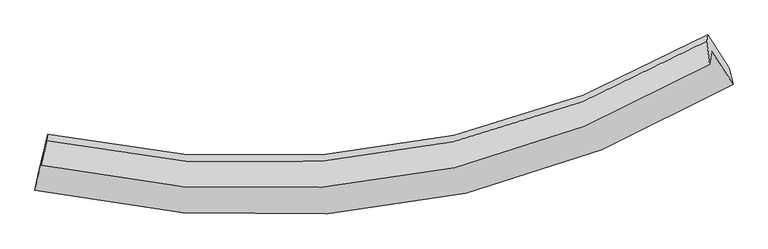
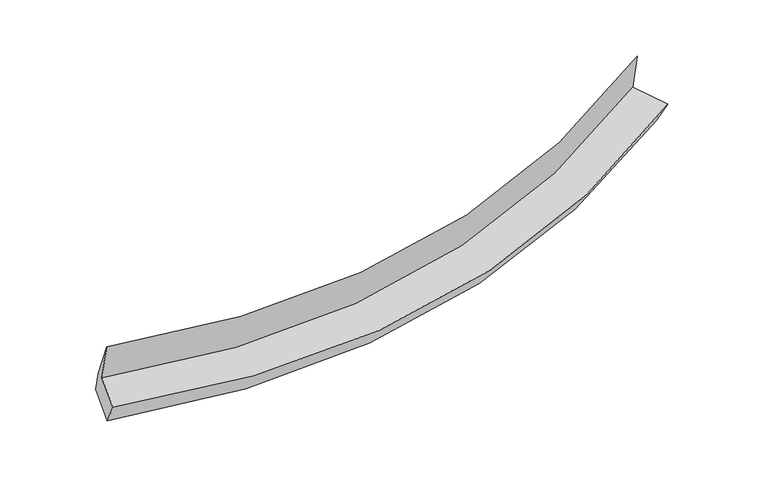
"""IFC4 building model written with IfcOpenShell, lengths in millimetres: proxy geometry."""

from ifc_helpers import new_model, si_unit, frame, origin, place, context, project, spatial, source, transform, mapped, element, save
from ifc_brep_helpers import plane_surface, spline_curve, spline_surface, advanced_brep


def generic_models_b6ffce31(model_context):
    return source(origin(), model_context, "Body", "AdvancedBrep", [
        advanced_brep(
        [(-6007.8515845, -2089.7271477, 1626.1671114), (-6157.7269657, -2714.8897153, 1466.6625857), (5428.7465242, -957.007686, 2456.0666178), (5073.2257518, -410.4398825, 2593.6671043), (-6040.4230402, -2305.6559543, 2399.710194), (5041.0007231, -624.0720911, 3358.9828571), (-5964.0440961, -1898.5059601, 1587.0820605), (4990.8216137, -244.3610158, 2512.871912), (-5947.6533234, -1789.8451739, 1197.8157979), (5006.7040015, -139.0705098, 2135.6793368), (-6104.2314884, -2440.8197507, 1009.5080675), (5367.1772764, -693.2521536, 1996.1620376)],
        [
            (0, 1),
            (1, 2, spline_curve(3, [(-6157.7269657, -2714.8897153, 1466.6625857), (-3654.580199927, -3274.352498566, 1416.8465103), (-1270.118437723, -3291.460851185, 1514.143413572), (2527.610952631, -2411.081767717, 1923.805391514), (4005.307020436, -1808.012738652, 2156.309832588), (5428.7465242, -957.007686, 2456.0666178)], [4, 2, 4], [0.0, 22.98510885608281, 38.525959415413965])),
            (2, 3),
            (3, 0, spline_curve(3, [(5073.2257518, -410.4398825, 2593.6671043), (3709.58838898, -1218.833020621, 2310.261086254), (2294.983883627, -1792.216207798, 2088.699813658), (-1338.186234791, -2631.047618855, 1692.760582124), (-3617.274174822, -2617.42685271, 1591.8218569), (-6007.8515845, -2089.7271477, 1626.1671114)], [4, 2, 4], [0.0, 15.540850559331155, 38.525959415413965])),
            (4, 0),
            (3, 5),
            (5, 4, spline_curve(3, [(5041.0007231, -624.0720911, 3358.9828571), (3677.642261687, -1430.616284923, 3068.95318371), (2263.185361919, -2003.020935279, 2843.886400796), (-1369.944321804, -2841.584290041, 2446.986886575), (-3649.295342991, -2829.70759399, 2352.296114952), (-6040.4230402, -2305.6559543, 2399.710194)], [4, 2, 4], [0.0, 15.191862995320381, 37.6608149578289])),
            (6, 4),
            (5, 7),
            (7, 6, spline_curve(3, [(4990.8216137, -244.3610158, 2512.871912), (3637.460182683, -1025.387998211, 2231.426213294), (2235.832182511, -1581.080442063, 2013.296861107), (-1358.47426373, -2400.041747227, 1629.513517494), (-3608.468167052, -2395.730951004, 1539.046252614), (-5964.0440961, -1898.5059601, 1587.0820605)], [4, 2, 4], [0.0, 15.09529131839826, 37.42141258460768])),
            (8, 6),
            (7, 9),
            (9, 8, spline_curve(3, [(5006.7040015, -139.0705098, 2135.6793368), (3653.182138984, -921.161056669, 1858.04374981), (2251.485997931, -1477.305232978, 1641.532682491), (-1342.76058046, -2295.869647495, 1256.327521502), (-3592.516880626, -2289.983692916, 1160.217409569), (-5947.6533234, -1789.8451739, 1197.8157979)], [4, 2, 4], [0.0, 14.998819101888888, 37.182256774971286])),
            (10, 8),
            (9, 11),
            (11, 10, spline_curve(3, [(5367.1772764, -693.2521536, 1996.1620376), (3954.329328053, -1520.394402832, 1703.452568595), (2489.193460925, -2108.667103675, 1475.30181555), (-1272.51874173, -2974.841809795, 1069.755147145), (-3631.185796639, -2969.091641449, 969.021243466), (-6104.2314884, -2440.8197507, 1009.5080675)], [4, 2, 4], [0.0, 15.357978651749818, 38.07261771041522])),
            (1, 10),
            (11, 2),
        ],
        [
            spline_surface(3, 3, [[(-6007.8515845, -2089.7271477, 1626.1671114), (-3617.27417447, -2617.426852838, 1591.821857092), (-1338.186234727, -2631.047618592, 1692.760582251), (2294.983883584, -1792.216207976, 2088.699813572), (3709.588389226, -1218.833020503, 2310.261086055), (5073.2257518, -410.4398825, 2593.6671043)], [(-6057.810044889, -2298.11467023, 1572.998936156), (-3629.709516234, -2836.402068059, 1533.496741556), (-1315.496969011, -2851.185362805, 1633.221525986), (2372.526239929, -1998.504727836, 2033.735006245), (3808.161266266, -1415.226259804, 2258.9440016), (5191.732675934, -592.62915033, 2547.800275481)], [(-6107.768505311, -2506.50219277, 1519.830760944), (-3642.14485803, -3055.377283289, 1475.171626052), (-1292.807703346, -3071.323107094, 1573.682469722), (2450.068596224, -2204.793247773, 1978.770198919), (3906.734143304, -1611.619499115, 2207.626917102), (5310.239600066, -774.81841817, 2501.933446619)], [(-6157.7269657, -2714.8897153, 1466.6625857), (-3654.580199795, -3274.35249851, 1416.846510517), (-1270.11843763, -3291.460851307, 1514.143413457), (2527.610952569, -2411.081767634, 1923.805391593), (4005.307020343, -1808.012738416, 2156.309832647), (5428.7465242, -957.007686, 2456.0666178)]], [4, 4], [4, 2, 4], [0.0, 2.226651729045045], [0.0, 22.98510885608281, 38.525959415413965]),
            spline_surface(3, 3, [[(-6040.4230402, -2305.6559543, 2399.710194), (-3649.295343235, -2829.707594016, 2352.296114755), (-1369.94432186, -2841.584289992, 2446.986886369), (2263.185361957, -2003.020935312, 2843.886400935), (3677.642261724, -1430.616284939, 3068.953183632), (5041.0007231, -624.0720911, 3358.9828571)], [(-6029.565888313, -2233.679685436, 2141.862499814), (-3638.621620327, -2758.947346959, 2098.804695549), (-1359.358292813, -2771.405399538, 2195.578118321), (2273.784869168, -1932.75269288, 2592.157538472), (3688.290970923, -1360.021863457, 2816.055817754), (5051.742399365, -552.861354897, 3103.877606148)], [(-6018.708736387, -2161.703416564, 1884.014805586), (-3627.947897379, -2688.187099895, 1845.313276298), (-1348.772263773, -2701.226509045, 1944.169350299), (2284.384376373, -1862.484450408, 2340.428676035), (3698.939680027, -1289.427441985, 2563.158451933), (5062.484075535, -481.650618703, 2848.772355252)], [(-6007.8515845, -2089.7271477, 1626.1671114), (-3617.27417447, -2617.426852838, 1591.821857092), (-1338.186234727, -2631.047618592, 1692.760582251), (2294.983883584, -1792.216207976, 2088.699813572), (3709.588389226, -1218.833020503, 2310.261086055), (5073.2257518, -410.4398825, 2593.6671043)]], [4, 4], [4, 2, 4], [0.0, 2.574040140655187], [0.0, 22.468951962508516, 37.6608149578289]),
            spline_surface(3, 3, [[(-5964.0440961, -1898.5059601, 1587.0820605), (-3608.468166708, -2395.730951154, 1539.046252943), (-1358.474263743, -2400.041746963, 1629.513517738), (2235.83218252, -1581.080442242, 2013.296860942), (3637.460182829, -1025.387998326, 2231.426213306), (4990.8216137, -244.3610158, 2512.871912)], [(-5989.503744127, -2034.222624831, 1857.958104995), (-3622.077225544, -2540.389832106, 1810.129540209), (-1362.29761648, -2547.222594637, 1902.004640617), (2244.949908967, -1721.727273263, 2290.160040942), (3650.854209117, -1160.464093857, 2510.6018701), (5007.547983489, -370.931374226, 2794.908893719)], [(-6014.963392173, -2169.939289569, 2128.834149505), (-3635.6862844, -2685.048713064, 2081.21282749), (-1366.120969123, -2694.403442318, 2174.49576349), (2254.067635509, -1862.374104291, 2567.023220935), (3664.248235437, -1295.540189409, 2789.777526837), (5024.274353311, -497.501732674, 3076.945875381)], [(-6040.4230402, -2305.6559543, 2399.710194), (-3649.295343235, -2829.707594016, 2352.296114755), (-1369.94432186, -2841.584289992, 2446.986886369), (2263.185361957, -2003.020935312, 2843.886400935), (3677.642261724, -1430.616284939, 3068.953183632), (5041.0007231, -624.0720911, 3358.9828571)]], [4, 4], [4, 2, 4], [0.0, 3.0490480223489733], [0.0, 22.32612126620942, 37.42141258460768]),
            spline_surface(3, 3, [[(-5947.6533234, -1789.8451739, 1197.8157979), (-3592.516880752, -2289.983692957, 1160.217409361), (-1342.760580233, -2295.869647702, 1256.327521543), (2251.485997777, -1477.305232838, 1641.532682464), (3653.182138858, -921.161056733, 1858.043749886), (5006.7040015, -139.0705098, 2135.6793368)], [(-5953.116914288, -1826.065435974, 1327.571218763), (-3597.833976059, -2325.23277903, 1286.493690551), (-1347.998474714, -2330.593680798, 1380.722853614), (2246.26805938, -1511.896969315, 1765.454075296), (3647.94148684, -955.903370612, 1982.504571012), (5001.409872225, -174.167345148, 2261.410195186)], [(-5958.580505212, -1862.285698026, 1457.326639637), (-3603.151071401, -2360.481865081, 1412.769971753), (-1353.236369262, -2365.317713867, 1505.118185666), (2241.050120917, -1546.488705764, 1889.375468109), (3642.700834847, -990.645684447, 2106.96539218), (4996.115742975, -209.264180452, 2387.141053614)], [(-5964.0440961, -1898.5059601, 1587.0820605), (-3608.468166708, -2395.730951154, 1539.046252943), (-1358.474263743, -2400.041746963, 1629.513517738), (2235.83218252, -1581.080442242, 2013.296860942), (3637.460182829, -1025.387998326, 2231.426213306), (4990.8216137, -244.3610158, 2512.871912)]], [4, 4], [4, 2, 4], [0.0, 1.272014269013754], [0.0, 22.1834376730824, 37.182256774971286]),
            spline_surface(3, 3, [[(-6104.2314884, -2440.8197507, 1009.5080675), (-3631.185796535, -2969.091641431, 969.021243218), (-1272.518742032, -2974.84180987, 1069.755147005), (2489.193461129, -2108.667103624, 1475.301815644), (3954.329328228, -1520.394402773, 1703.452568537), (5367.1772764, -693.2521536, 1996.1620376)], [(-6052.038766746, -2223.828225111, 1072.277310966), (-3618.296157953, -2742.722325284, 1032.753298598), (-1295.932688104, -2748.517755822, 1131.945938537), (2409.957640007, -1898.213146703, 1530.712104603), (3853.946931776, -1320.649954078, 1754.982962324), (5247.019518105, -508.524938984, 2042.667804004)], [(-5999.846045054, -2006.836699489, 1135.046554434), (-3605.406519334, -2516.353009104, 1096.485353981), (-1319.346634161, -2522.193701751, 1194.136730011), (2330.721818899, -1687.759189759, 1586.122393505), (3753.56453531, -1120.905505429, 1806.513356099), (5126.861759795, -323.797724416, 2089.173570396)], [(-5947.6533234, -1789.8451739, 1197.8157979), (-3592.516880752, -2289.983692957, 1160.217409361), (-1342.760580233, -2295.869647702, 1256.327521543), (2251.485997777, -1477.305232838, 1641.532682464), (3653.182138858, -921.161056733, 1858.043749886), (5006.7040015, -139.0705098, 2135.6793368)]], [4, 4], [4, 2, 4], [0.0, 2.2856849047944783], [0.0, 22.714639058665405, 38.07261771041522]),
            spline_surface(3, 3, [[(-6157.7269657, -2714.8897153, 1466.6625857), (-3654.580199795, -3274.35249851, 1416.846510517), (-1270.11843763, -3291.460851307, 1514.143413457), (2527.610952569, -2411.081767634, 1923.805391593), (4005.307020343, -1808.012738416, 2156.309832647), (5428.7465242, -957.007686, 2456.0666178)], [(-6139.895139937, -2623.533060418, 1314.277746305), (-3646.782065378, -3172.598879468, 1267.571421423), (-1270.918539103, -3185.921170826, 1366.013991288), (2514.805122083, -2310.276879628, 1774.304199591), (3988.314456287, -1712.139959882, 2005.357411273), (5408.223441582, -869.089175214, 2302.765091063)], [(-6122.063314163, -2532.176405582, 1161.892906895), (-3638.983930951, -3070.845260473, 1118.296332312), (-1271.718640559, -3080.381490352, 1217.884569174), (2501.999291615, -2209.47199163, 1624.803007646), (3971.321892285, -1616.267181307, 1854.404989911), (5387.700359018, -781.170664386, 2149.463564337)], [(-6104.2314884, -2440.8197507, 1009.5080675), (-3631.185796535, -2969.091641431, 969.021243218), (-1272.518742032, -2974.84180987, 1069.755147005), (2489.193461129, -2108.667103624, 1475.301815644), (3954.329328228, -1520.394402773, 1703.452568537), (5367.1772764, -693.2521536, 1996.1620376)]], [4, 4], [4, 2, 4], [0.0, 1.7841408868790245], [0.0, 23.373496784669, 39.17694687289509]),
            plane_surface(frame((5151.2793151, -511.3672231, 2508.9049776), z_axis=(0.8448232119914075, 0.5050743494030161, 0.17656059032423244), x_axis=(-0.040523076127274085, -0.26864318128634546, 0.9623869915213603))),
            plane_surface(frame((-6036.9884164, -2206.5739503, 1547.8243028), z_axis=(-0.9734868947435075, 0.22762852904657013, 0.022550355357253214), x_axis=(0.22627176667839938, 0.9438283828025531, 0.24080920127884126))),
        ],
        [
            (0, [[1, 2, 3, 4]]),
            (1, [[5, -4, 6, 7]]),
            (2, [[8, -7, 9, 10]]),
            (3, [[11, -10, 12, 13]]),
            (4, [[14, -13, 15, 16]]),
            (5, [[17, -16, 18, -2]]),
            (6, [[-12, -9, -6, -3, -18, -15]]),
            (7, [[-1, -5, -8, -11, -14, -17]]),
        ],
    ),
    ])


if __name__ == "__main__":
    model = new_model("IFC4")
    model_context = context("Model", 3, world=origin())
    ifc_project = project(units=[si_unit("LENGTHUNIT", "METRE", prefix="MILLI")], contexts=[model_context])
    site = spatial("IfcSite", under=ifc_project)
    building = spatial("IfcBuilding", under=site)
    placement = place(None, origin())
    generic_models_shape = generic_models_b6ffce31(model_context)
    element("IfcBuildingElementProxy", 1, Name="Generic Models", at=placement, inside=building, context=model_context, shape_type="MappedRepresentation", body=[
        mapped(generic_models_shape, transform((0.0, 0.0, 0.0), x_axis=(1.0, 0.0, 0.0), y_axis=(0.0, 1.0, 0.0), z_axis=(0.0, 0.0, 1.0))),
    ])
    save(model, "model.ifc")
